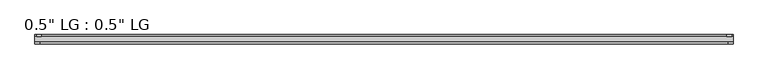
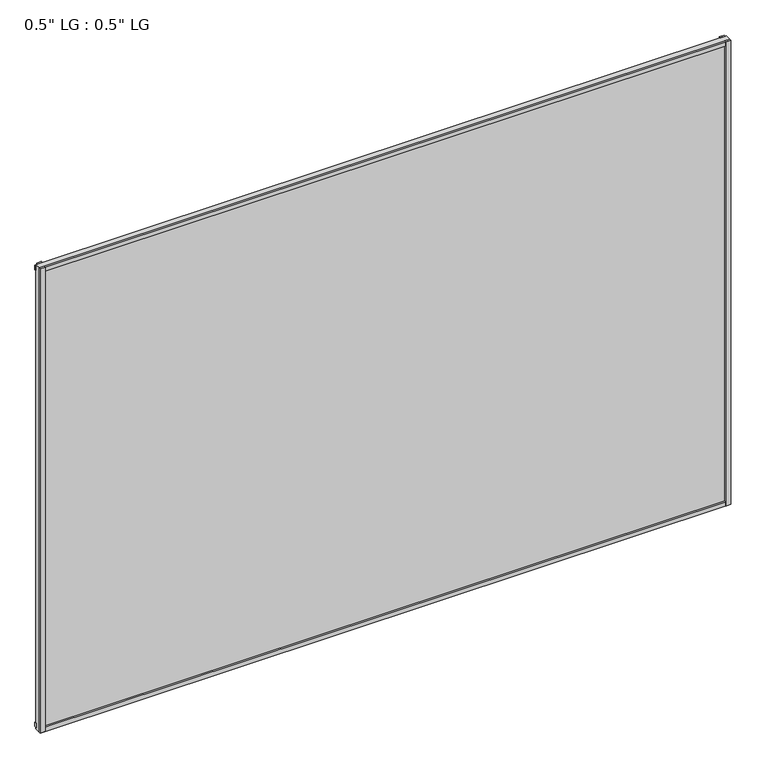
"""IFC4 building model written with IfcOpenShell, lengths in millimetres: plate geometry."""

from ifc_helpers import new_model, si_unit, frame, origin, origin_with_axes, place, context, project, spatial, polyline, outline, extrude, source, transform, mapped, element, save


def plate_7ed91571(model_context):
    return source(origin(), model_context, "Body", "SweptSolid", [
        extrude(outline(polyline([(867.5318507, -33.3271813), (867.5318507, -38.0007813), (855.3941711, -38.0007813), (855.3941711, -33.3271813), (867.5318507, -33.3271813)])), origin_with_axes(), (0.0, 0.0, 1.0), 1233.5256),
        extrude(outline(polyline([(864.000497, -15.5217813), (864.000497, -19.7127813), (851.9880732, -19.7127813), (851.9880732, -15.5217813), (864.000497, -15.5217813)])), origin_with_axes(), (0.0, 0.0, 1.0), 1233.5256),
        extrude(outline(polyline([(-855.2412727, -38.0007812), (-867.5318507, -38.0007812), (-867.5318507, -33.3271813), (-855.2412727, -33.3271813), (-855.2412727, -38.0007812)])), origin_with_axes(), (0.0, 0.0, 1.0), 1233.5256),
        extrude(outline(polyline([(-851.2820348, -19.7127813), (-863.5726128, -19.7127813), (-863.5726128, -15.5217812), (-851.2820348, -15.5217812), (-851.2820348, -19.7127813)])), origin_with_axes(), (0.0, 0.0, 1.0), 1233.5256),
        extrude(outline(polyline([(867.5318507, -33.3271813), (867.5318507, -38.0007813), (-867.5318507, -38.0007812), (-867.5318507, -33.3271812), (867.5318507, -33.3271813)])), origin_with_axes(), (0.0, 0.0, 1.0), 11.1693096),
        extrude(outline(polyline([(867.5318507, -15.3590708), (867.5318507, -20.1364307), (-867.5318507, -20.1364307), (-867.5318507, -15.3590708), (867.5318507, -15.3590708)])), frame((0.0, 0.0, 3.848913), z_axis=(0.0, 0.0, 1.0), x_axis=(1.0, 0.0, 0.0)), (0.0, 0.0, 1.0), 11.1693096),
        extrude(outline(polyline([(867.5318507, -33.3271813), (867.5318507, -38.0007813), (-867.5318507, -38.0007812), (-867.5318507, -33.3271812), (867.5318507, -33.3271813)])), frame((0.0, 0.0, 1222.3444942), z_axis=(0.0, 0.0, 1.0), x_axis=(1.0, 0.0, 0.0)), (0.0, 0.0, 1.0), 11.1811058),
        extrude(outline(polyline([(867.5318507, -15.5217813), (867.5318507, -19.7127813), (-867.5318507, -19.7127812), (-867.5318507, -15.5217813), (867.5318507, -15.5217813)])), frame((0.0, 0.0, 1217.7853474), z_axis=(0.0, 0.0, 1.0), x_axis=(1.0, 0.0, 0.0)), (0.0, 0.0, 1.0), 11.1811058),
        extrude(outline(polyline([(867.5318507, -33.3271812), (-867.5318507, -33.3271812), (-867.5318507, -19.7127812), (867.5318507, -19.7127812), (867.5318507, -33.3271812)])), origin_with_axes(), (0.0, 0.0, 1.0), 1233.5256),
    ])


if __name__ == "__main__":
    model = new_model("IFC4")
    model_context = context("Model", 3, world=origin())
    ifc_project = project(units=[si_unit("LENGTHUNIT", "METRE", prefix="MILLI")], contexts=[model_context])
    site = spatial("IfcSite", under=ifc_project)
    building = spatial("IfcBuilding", under=site)
    placement = place(None, origin())
    plate_shape = plate_7ed91571(model_context)
    element("IfcPlate", 1, ObjectType="0.5\" LG : 0.5\" LG", at=placement, inside=building, context=model_context, shape_type="MappedRepresentation", body=[
        mapped(plate_shape, transform((0.0, 0.0, 0.0), x_axis=(1.0, 0.0, 0.0), y_axis=(0.0, 1.0, 0.0), z_axis=(0.0, 0.0, 1.0))),
    ])
    save(model, "model.ifc")
